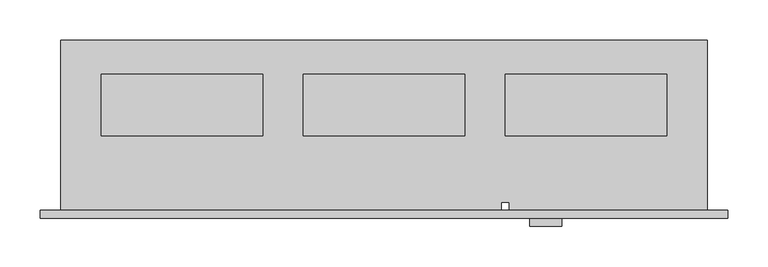
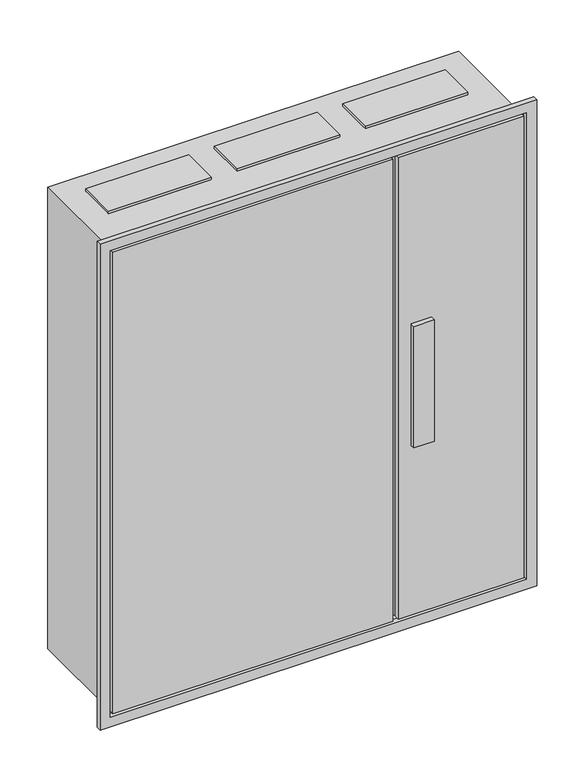
"""IFC4 building model written with IfcOpenShell, lengths in millimetres: proxy geometry."""

import ifcopenshell
import ifcopenshell.guid

model = None  # the IFC model being written
_history = None  # IfcOwnerHistory: only IFC2X3 demands one
_inside = {}  # id of a spatial element -> (the spatial element, [elements in it])
_under = {}  # id of a project, library or spatial element -> (it, [spatial elements below it])
_declared = {}  # id of a project -> (the project, [libraries it declares])
_typed = {}  # id of a type object -> (the type object, [elements of that type])
_made_of = {}  # id of a material, layer set ... -> (it, [elements and type objects made of it])


def new_model(schema):
    """Start an empty IFC model of exactly this schema.

    Asked for "IFC4X3", IfcOpenShell would pick the latest addendum, in which some entities
    have other attributes; the version numbers below select the first issue.
    IFC2X3 requires an IfcOwnerHistory on every rooted entity: one is made here for all.
    """
    global model, _history
    if schema == "IFC4X3":
        model = ifcopenshell.file(schema_version=(4, 3, 0, 0))
    else:
        model = ifcopenshell.file(schema=schema)
    _inside.clear()
    _under.clear()
    _declared.clear()
    _typed.clear()
    _made_of.clear()
    _history = None
    if model.schema == "IFC2X3":
        org = make("IfcOrganization", Name="unknown")
        user = make(
            "IfcPersonAndOrganization",
            ThePerson=make("IfcPerson", FamilyName="unknown"),
            TheOrganization=org,
        )
        app = make(
            "IfcApplication",
            ApplicationDeveloper=org,
            Version="unknown",
            ApplicationFullName="unknown",
            ApplicationIdentifier="unknown",
        )
        _history = make(
            "IfcOwnerHistory",
            OwningUser=user,
            OwningApplication=app,
            ChangeAction="ADDED",
            CreationDate=0,
        )
    return model


def make(cls, **values):
    """One entity of the class cls with the attributes given. An attribute that is None is left unset."""
    return model.create_entity(
        cls, **{name: value for name, value in values.items() if value is not None}
    )


def rooted(cls, **values):
    """An entity with a GlobalId (a new one), such as an element, a storey or a relation."""
    return make(cls, GlobalId=ifcopenshell.guid.new(), OwnerHistory=_history, **values)


def si_unit(unit_type, name, prefix=None):
    """IfcSIUnit, for example si_unit("LENGTHUNIT", "METRE", prefix="MILLI")."""
    return make("IfcSIUnit", UnitType=unit_type, Prefix=prefix, Name=name)


def assignment(units):
    """IfcUnitAssignment: the units of a project."""
    return None if units is None else make("IfcUnitAssignment", Units=units)


def point(xyz):
    """IfcCartesianPoint."""
    return None if xyz is None else make("IfcCartesianPoint", Coordinates=xyz)


def direction(xyz):
    """IfcDirection."""
    return None if xyz is None else make("IfcDirection", DirectionRatios=xyz)


def frame(location, z_axis=None, x_axis=None):
    """IfcAxis2Placement3D, a coordinate frame: its origin and axes. An axis left out is left unset."""
    return make(
        "IfcAxis2Placement3D",
        Location=point(location),
        Axis=direction(z_axis),
        RefDirection=direction(x_axis),
    )


def origin():
    """The frame at (0, 0, 0) with its axes left unset."""
    return frame((0.0, 0.0, 0.0))


def origin_with_axes():
    """The frame at (0, 0, 0) with the z axis (0, 0, 1) and the x axis (1, 0, 0) written out."""
    return frame((0.0, 0.0, 0.0), z_axis=(0.0, 0.0, 1.0), x_axis=(1.0, 0.0, 0.0))


def place(relative_to, where):
    """IfcLocalPlacement: puts the frame where relative to a parent placement (None: the world)."""
    return make(
        "IfcLocalPlacement", PlacementRelTo=relative_to, RelativePlacement=where
    )


def context(
    kind, dimensions, precision=None, world=None, true_north=None, identifier=None
):
    """IfcGeometricRepresentationContext, for example the 3D "Model" context."""
    return make(
        "IfcGeometricRepresentationContext",
        ContextIdentifier=identifier,
        ContextType=kind,
        CoordinateSpaceDimension=dimensions,
        Precision=precision,
        WorldCoordinateSystem=world,
        TrueNorth=true_north,
    )


def project(units=None, contexts=None):
    """IfcProject with its units and contexts."""
    return rooted(
        "IfcProject",
        Name="project",
        RepresentationContexts=contexts,
        UnitsInContext=assignment(units),
    )


def spatial(cls, under=None, at=None, **own):
    """A site, building, storey or space (cls), placed at a placement, below another one or the project."""
    s = rooted(cls, ObjectPlacement=at, **own)
    if under is not None:
        _under.setdefault(under.id(), (under, []))[1].append(s)
    return s


def polyline(points):
    """IfcPolyline through the points."""
    return make("IfcPolyline", Points=[point(p) for p in points])


def outline(outer, holes=None, kind="AREA"):
    """IfcArbitraryClosedProfileDef: a profile drawn as a closed curve; with holes, ...WithVoids."""
    if holes is None:
        return make("IfcArbitraryClosedProfileDef", ProfileType=kind, OuterCurve=outer)
    return make(
        "IfcArbitraryProfileDefWithVoids",
        ProfileType=kind,
        OuterCurve=outer,
        InnerCurves=holes,
    )


def extrude(swept, where, along, depth):
    """IfcExtrudedAreaSolid: the profile swept, set in the frame where, extruded along a direction by depth."""
    return make(
        "IfcExtrudedAreaSolid",
        SweptArea=swept,
        Position=where,
        ExtrudedDirection=direction(along),
        Depth=depth,
    )


def shape(context_of_items, identifier, shape_type, items):
    """IfcShapeRepresentation: the items that make up one representation, for example the "Body"."""
    return make(
        "IfcShapeRepresentation",
        ContextOfItems=context_of_items,
        RepresentationIdentifier=identifier,
        RepresentationType=shape_type,
        Items=items,
    )


def source(mapping_origin, context_of_items, identifier, shape_type, items):
    """IfcRepresentationMap: a shape defined once, which mapped items show again and again."""
    return make(
        "IfcRepresentationMap",
        MappingOrigin=mapping_origin,
        MappedRepresentation=shape(context_of_items, identifier, shape_type, items),
    )


def transform(
    local_origin,
    x_axis=None,
    y_axis=None,
    z_axis=None,
    scale=None,
    scale2=None,
    scale3=None,
    uniform=True,
):
    """IfcCartesianTransformationOperator3D, or its non-uniform kind. x_axis, y_axis, z_axis: its Axis1, 2, 3."""
    if uniform:
        return make(
            "IfcCartesianTransformationOperator3D",
            Axis1=direction(x_axis),
            Axis2=direction(y_axis),
            LocalOrigin=point(local_origin),
            Scale=scale,
            Axis3=direction(z_axis),
        )
    return make(
        "IfcCartesianTransformationOperator3DnonUniform",
        Axis1=direction(x_axis),
        Axis2=direction(y_axis),
        LocalOrigin=point(local_origin),
        Scale=scale,
        Axis3=direction(z_axis),
        Scale2=scale2,
        Scale3=scale3,
    )


def mapped(mapping_source, mapping_target):
    """IfcMappedItem: shows the shape of a source again, moved by a transform."""
    return make(
        "IfcMappedItem", MappingSource=mapping_source, MappingTarget=mapping_target
    )


def made_of(thing, what):
    """Note that an element or type object is made of a material, layer set ...; save() writes the relation."""
    if what is not None:
        _made_of.setdefault(what.id(), (what, []))[1].append(thing)
    return thing


def element(
    cls,
    number,
    at=None,
    inside=None,
    cuts=None,
    type_object=None,
    material=None,
    context=None,
    identifier="Body",
    shape_type=None,
    held_by="IfcProductDefinitionShape",
    body=None,
    shapes=None,
    **own,
):
    """One element of the class cls, such as IfcWall. Its Tag is "e" and its number.

    at: its placement. inside: the storey or other place that contains it. cuts: it is an
    opening in that element (IfcRelVoidsElement). A single representation is given by context,
    identifier, shape_type and body (its items); several are given by shapes. held_by: the class
    of the entity that holds the representations. save() writes the other relations.
    """
    e = rooted(cls, Tag="e%d" % number, ObjectPlacement=at, **own)
    if body is not None:
        shapes = [shape(context, identifier, shape_type, body)]
    if shapes is not None:
        e.Representation = make(held_by, Representations=shapes)
    if inside is not None:
        _inside.setdefault(inside.id(), (inside, []))[1].append(e)
    if cuts is not None:
        rooted(
            "IfcRelVoidsElement", RelatingBuildingElement=cuts, RelatedOpeningElement=e
        )
    if type_object is not None:
        _typed.setdefault(type_object.id(), (type_object, []))[1].append(e)
    return made_of(e, material)


def aggregate(whole, parts):
    """IfcRelAggregates: a whole, such as a stair, and the parts it consists of."""
    return rooted("IfcRelAggregates", RelatingObject=whole, RelatedObjects=parts)


def save(model, path):
    """Write the relations noted so far, then the file.

    IfcRelAggregates (storeys below a building ...), IfcRelContainedInSpatialStructure (elements
    in a storey), IfcRelDefinesByType, IfcRelAssociatesMaterial and IfcRelDeclares: one each for
    every whole, place, type object, material and project.
    """
    for whole, parts in _under.values():
        aggregate(whole, parts)
    for where, things in _inside.values():
        rooted(
            "IfcRelContainedInSpatialStructure",
            RelatedElements=things,
            RelatingStructure=where,
        )
    for kind, things in _typed.values():
        rooted("IfcRelDefinesByType", RelatedObjects=things, RelatingType=kind)
    for what, things in _made_of.values():
        rooted("IfcRelAssociatesMaterial", RelatedObjects=things, RelatingMaterial=what)
    for by, libraries in _declared.values():
        rooted("IfcRelDeclares", RelatingContext=by, RelatedDefinitions=libraries)
    model.write(path)


def electrical_fixtures_b773405b(model_context):
    return source(origin(), model_context, "Body", "SweptSolid", [
        extrude(outline(polyline([(750.0, 168.0), (750.0, 92.0), (550.0, 92.0), (550.0, 168.0), (750.0, 168.0)])), frame((0.0, 0.0, 950.0), z_axis=(0.0, 0.0, 1.0), x_axis=(1.0, 0.0, 0.0)), (0.0, 0.0, 1.0), 5.0),
        extrude(outline(polyline([(750.0, 168.0), (750.0, 92.0), (550.0, 92.0), (550.0, 168.0), (750.0, 168.0)])), frame((0.0, 0.0, -5.0), z_axis=(0.0, 0.0, 1.0), x_axis=(1.0, 0.0, 0.0)), (0.0, 0.0, 1.0), 5.0),
        extrude(outline(polyline([(500.0, 168.0), (500.0, 92.0), (300.0, 92.0), (300.0, 168.0), (500.0, 168.0)])), frame((0.0, 0.0, 950.0), z_axis=(0.0, 0.0, 1.0), x_axis=(1.0, 0.0, 0.0)), (0.0, 0.0, 1.0), 5.0),
        extrude(outline(polyline([(500.0, 168.0), (500.0, 92.0), (300.0, 92.0), (300.0, 168.0), (500.0, 168.0)])), frame((0.0, 0.0, -5.0), z_axis=(0.0, 0.0, 1.0), x_axis=(1.0, 0.0, 0.0)), (0.0, 0.0, 1.0), 5.0),
        extrude(outline(polyline([(250.0, 168.0), (250.0, 92.0), (50.0, 92.0), (50.0, 168.0), (250.0, 168.0)])), frame((0.0, 0.0, 950.0), z_axis=(0.0, 0.0, 1.0), x_axis=(1.0, 0.0, 0.0)), (0.0, 0.0, 1.0), 5.0),
        extrude(outline(polyline([(250.0, 168.0), (250.0, 92.0), (50.0, 92.0), (50.0, 168.0), (250.0, 168.0)])), frame((0.0, 0.0, -5.0), z_axis=(0.0, 0.0, 1.0), x_axis=(1.0, 0.0, 0.0)), (0.0, 0.0, 1.0), 5.0),
        extrude(outline(polyline([(-25.0, 825.0), (975.0, 825.0), (975.0, -25.0), (-25.0, -25.0), (-25.0, 825.0)]), holes=[polyline([(955.0, 805.0), (-5.0, 805.0), (-5.0, -5.0), (955.0, -5.0), (955.0, 805.0)])]), frame((0.0, -10.0, 0.0), z_axis=(0.0, 1.0, 0.0), x_axis=(0.0, 0.0, 1.0)), (0.0, 0.0, 1.0), 10.0),
        extrude(outline(polyline([(800.0, 0.0), (800.0, -10.0), (555.0, -10.0), (555.0, 0.0), (800.0, 0.0)])), origin_with_axes(), (0.0, 0.0, 1.0), 950.0),
        extrude(outline(polyline([(0.0, -10.0), (0.0, 0.0), (545.0, 0.0), (545.0, -10.0), (0.0, -10.0)])), origin_with_axes(), (0.0, 0.0, 1.0), 950.0),
        extrude(outline(polyline([(620.0, -10.0), (620.0, -20.0), (580.0, -20.0), (580.0, -10.0), (620.0, -10.0)])), frame((0.0, 0.0, 350.0), z_axis=(0.0, 0.0, 1.0), x_axis=(1.0, 0.0, 0.0)), (0.0, 0.0, 1.0), 250.0),
        extrude(outline(polyline([(800.0, 210.0), (800.0, 0.0), (555.0, 0.0), (555.0, 10.0), (545.0, 10.0), (545.0, 0.0), (0.0, 0.0), (0.0, 210.0), (800.0, 210.0)])), origin_with_axes(), (0.0, 0.0, 1.0), 950.0),
    ])


if __name__ == "__main__":
    model = new_model("IFC4")
    model_context = context("Model", 3, world=origin())
    ifc_project = project(units=[si_unit("LENGTHUNIT", "METRE", prefix="MILLI")], contexts=[model_context])
    site = spatial("IfcSite", under=ifc_project)
    building = spatial("IfcBuilding", under=site)
    placement = place(None, origin())
    electrical_fixtures_shape = electrical_fixtures_b773405b(model_context)
    element("IfcBuildingElementProxy", 1, Name="Electrical Fixtures", at=placement, inside=building, context=model_context, shape_type="MappedRepresentation", body=[
        mapped(electrical_fixtures_shape, transform((0.0, 0.0, 0.0), x_axis=(1.0, 0.0, 0.0), y_axis=(0.0, 1.0, 0.0), z_axis=(0.0, 0.0, 1.0))),
    ])
    save(model, "model.ifc")
